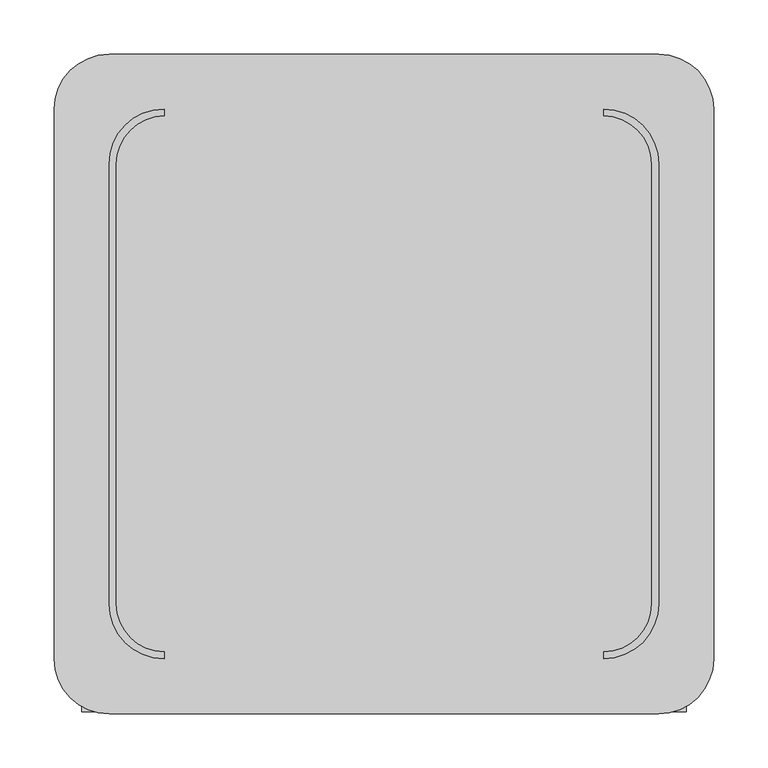
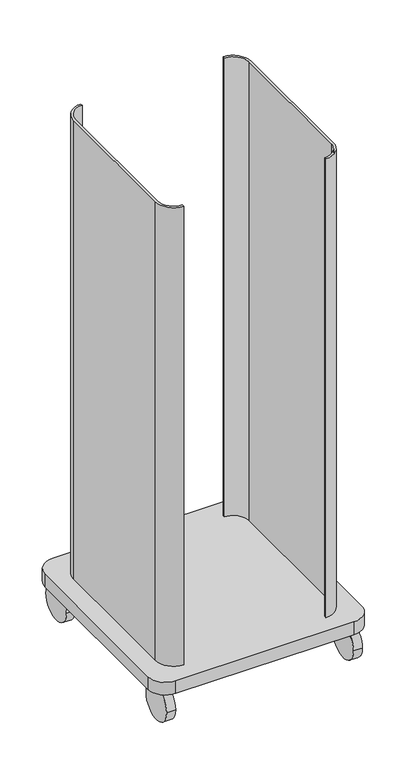
"""IFC4 building model written with IfcOpenShell, lengths in millimetres: proxy geometry."""

import ifcopenshell
import ifcopenshell.guid

model = None  # the IFC model being written
_history = None  # IfcOwnerHistory: only IFC2X3 demands one
_inside = {}  # id of a spatial element -> (the spatial element, [elements in it])
_under = {}  # id of a project, library or spatial element -> (it, [spatial elements below it])
_declared = {}  # id of a project -> (the project, [libraries it declares])
_typed = {}  # id of a type object -> (the type object, [elements of that type])
_made_of = {}  # id of a material, layer set ... -> (it, [elements and type objects made of it])


def new_model(schema):
    """Start an empty IFC model of exactly this schema.

    Asked for "IFC4X3", IfcOpenShell would pick the latest addendum, in which some entities
    have other attributes; the version numbers below select the first issue.
    IFC2X3 requires an IfcOwnerHistory on every rooted entity: one is made here for all.
    """
    global model, _history
    if schema == "IFC4X3":
        model = ifcopenshell.file(schema_version=(4, 3, 0, 0))
    else:
        model = ifcopenshell.file(schema=schema)
    _inside.clear()
    _under.clear()
    _declared.clear()
    _typed.clear()
    _made_of.clear()
    _history = None
    if model.schema == "IFC2X3":
        org = make("IfcOrganization", Name="unknown")
        user = make(
            "IfcPersonAndOrganization",
            ThePerson=make("IfcPerson", FamilyName="unknown"),
            TheOrganization=org,
        )
        app = make(
            "IfcApplication",
            ApplicationDeveloper=org,
            Version="unknown",
            ApplicationFullName="unknown",
            ApplicationIdentifier="unknown",
        )
        _history = make(
            "IfcOwnerHistory",
            OwningUser=user,
            OwningApplication=app,
            ChangeAction="ADDED",
            CreationDate=0,
        )
    return model


def make(cls, **values):
    """One entity of the class cls with the attributes given. An attribute that is None is left unset."""
    return model.create_entity(
        cls, **{name: value for name, value in values.items() if value is not None}
    )


def rooted(cls, **values):
    """An entity with a GlobalId (a new one), such as an element, a storey or a relation."""
    return make(cls, GlobalId=ifcopenshell.guid.new(), OwnerHistory=_history, **values)


def si_unit(unit_type, name, prefix=None):
    """IfcSIUnit, for example si_unit("LENGTHUNIT", "METRE", prefix="MILLI")."""
    return make("IfcSIUnit", UnitType=unit_type, Prefix=prefix, Name=name)


def assignment(units):
    """IfcUnitAssignment: the units of a project."""
    return None if units is None else make("IfcUnitAssignment", Units=units)


def point(xyz):
    """IfcCartesianPoint."""
    return None if xyz is None else make("IfcCartesianPoint", Coordinates=xyz)


def direction(xyz):
    """IfcDirection."""
    return None if xyz is None else make("IfcDirection", DirectionRatios=xyz)


def frame(location, z_axis=None, x_axis=None):
    """IfcAxis2Placement3D, a coordinate frame: its origin and axes. An axis left out is left unset."""
    return make(
        "IfcAxis2Placement3D",
        Location=point(location),
        Axis=direction(z_axis),
        RefDirection=direction(x_axis),
    )


def frame_2d(location, x_axis=None):
    """IfcAxis2Placement2D, a coordinate frame in the plane: its origin and x axis."""
    return make(
        "IfcAxis2Placement2D", Location=point(location), RefDirection=direction(x_axis)
    )


def origin():
    """The frame at (0, 0, 0) with its axes left unset."""
    return frame((0.0, 0.0, 0.0))


def place(relative_to, where):
    """IfcLocalPlacement: puts the frame where relative to a parent placement (None: the world)."""
    return make(
        "IfcLocalPlacement", PlacementRelTo=relative_to, RelativePlacement=where
    )


def context(
    kind, dimensions, precision=None, world=None, true_north=None, identifier=None
):
    """IfcGeometricRepresentationContext, for example the 3D "Model" context."""
    return make(
        "IfcGeometricRepresentationContext",
        ContextIdentifier=identifier,
        ContextType=kind,
        CoordinateSpaceDimension=dimensions,
        Precision=precision,
        WorldCoordinateSystem=world,
        TrueNorth=true_north,
    )


def project(units=None, contexts=None):
    """IfcProject with its units and contexts."""
    return rooted(
        "IfcProject",
        Name="project",
        RepresentationContexts=contexts,
        UnitsInContext=assignment(units),
    )


def spatial(cls, under=None, at=None, **own):
    """A site, building, storey or space (cls), placed at a placement, below another one or the project."""
    s = rooted(cls, ObjectPlacement=at, **own)
    if under is not None:
        _under.setdefault(under.id(), (under, []))[1].append(s)
    return s


def polyline(points):
    """IfcPolyline through the points."""
    return make("IfcPolyline", Points=[point(p) for p in points])


def circle_curve(where, radius):
    """IfcCircle in the frame where."""
    return make("IfcCircle", Position=where, Radius=radius)


def trimmed(basis, trim1, trim2, sense, master):
    """IfcTrimmedCurve: the piece of a basis curve between two trims."""
    return make(
        "IfcTrimmedCurve",
        BasisCurve=basis,
        Trim1=trim1,
        Trim2=trim2,
        SenseAgreement=sense,
        MasterRepresentation=master,
    )


def segment(curve, same_sense, transition):
    """IfcCompositeCurveSegment."""
    return make(
        "IfcCompositeCurveSegment",
        Transition=transition,
        SameSense=same_sense,
        ParentCurve=curve,
    )


def composite_curve(segments, self_intersect=None):
    """IfcCompositeCurve: segments joined end to end."""
    return make("IfcCompositeCurve", Segments=segments, SelfIntersect=self_intersect)


def outline(outer, holes=None, kind="AREA"):
    """IfcArbitraryClosedProfileDef: a profile drawn as a closed curve; with holes, ...WithVoids."""
    if holes is None:
        return make("IfcArbitraryClosedProfileDef", ProfileType=kind, OuterCurve=outer)
    return make(
        "IfcArbitraryProfileDefWithVoids",
        ProfileType=kind,
        OuterCurve=outer,
        InnerCurves=holes,
    )


def extrude(swept, where, along, depth):
    """IfcExtrudedAreaSolid: the profile swept, set in the frame where, extruded along a direction by depth."""
    return make(
        "IfcExtrudedAreaSolid",
        SweptArea=swept,
        Position=where,
        ExtrudedDirection=direction(along),
        Depth=depth,
    )


def shape(context_of_items, identifier, shape_type, items):
    """IfcShapeRepresentation: the items that make up one representation, for example the "Body"."""
    return make(
        "IfcShapeRepresentation",
        ContextOfItems=context_of_items,
        RepresentationIdentifier=identifier,
        RepresentationType=shape_type,
        Items=items,
    )


def source(mapping_origin, context_of_items, identifier, shape_type, items):
    """IfcRepresentationMap: a shape defined once, which mapped items show again and again."""
    return make(
        "IfcRepresentationMap",
        MappingOrigin=mapping_origin,
        MappedRepresentation=shape(context_of_items, identifier, shape_type, items),
    )


def transform(
    local_origin,
    x_axis=None,
    y_axis=None,
    z_axis=None,
    scale=None,
    scale2=None,
    scale3=None,
    uniform=True,
):
    """IfcCartesianTransformationOperator3D, or its non-uniform kind. x_axis, y_axis, z_axis: its Axis1, 2, 3."""
    if uniform:
        return make(
            "IfcCartesianTransformationOperator3D",
            Axis1=direction(x_axis),
            Axis2=direction(y_axis),
            LocalOrigin=point(local_origin),
            Scale=scale,
            Axis3=direction(z_axis),
        )
    return make(
        "IfcCartesianTransformationOperator3DnonUniform",
        Axis1=direction(x_axis),
        Axis2=direction(y_axis),
        LocalOrigin=point(local_origin),
        Scale=scale,
        Axis3=direction(z_axis),
        Scale2=scale2,
        Scale3=scale3,
    )


def mapped(mapping_source, mapping_target):
    """IfcMappedItem: shows the shape of a source again, moved by a transform."""
    return make(
        "IfcMappedItem", MappingSource=mapping_source, MappingTarget=mapping_target
    )


def made_of(thing, what):
    """Note that an element or type object is made of a material, layer set ...; save() writes the relation."""
    if what is not None:
        _made_of.setdefault(what.id(), (what, []))[1].append(thing)
    return thing


def element(
    cls,
    number,
    at=None,
    inside=None,
    cuts=None,
    type_object=None,
    material=None,
    context=None,
    identifier="Body",
    shape_type=None,
    held_by="IfcProductDefinitionShape",
    body=None,
    shapes=None,
    **own,
):
    """One element of the class cls, such as IfcWall. Its Tag is "e" and its number.

    at: its placement. inside: the storey or other place that contains it. cuts: it is an
    opening in that element (IfcRelVoidsElement). A single representation is given by context,
    identifier, shape_type and body (its items); several are given by shapes. held_by: the class
    of the entity that holds the representations. save() writes the other relations.
    """
    e = rooted(cls, Tag="e%d" % number, ObjectPlacement=at, **own)
    if body is not None:
        shapes = [shape(context, identifier, shape_type, body)]
    if shapes is not None:
        e.Representation = make(held_by, Representations=shapes)
    if inside is not None:
        _inside.setdefault(inside.id(), (inside, []))[1].append(e)
    if cuts is not None:
        rooted(
            "IfcRelVoidsElement", RelatingBuildingElement=cuts, RelatedOpeningElement=e
        )
    if type_object is not None:
        _typed.setdefault(type_object.id(), (type_object, []))[1].append(e)
    return made_of(e, material)


def aggregate(whole, parts):
    """IfcRelAggregates: a whole, such as a stair, and the parts it consists of."""
    return rooted("IfcRelAggregates", RelatingObject=whole, RelatedObjects=parts)


def save(model, path):
    """Write the relations noted so far, then the file.

    IfcRelAggregates (storeys below a building ...), IfcRelContainedInSpatialStructure (elements
    in a storey), IfcRelDefinesByType, IfcRelAssociatesMaterial and IfcRelDeclares: one each for
    every whole, place, type object, material and project.
    """
    for whole, parts in _under.values():
        aggregate(whole, parts)
    for where, things in _inside.values():
        rooted(
            "IfcRelContainedInSpatialStructure",
            RelatedElements=things,
            RelatingStructure=where,
        )
    for kind, things in _typed.values():
        rooted("IfcRelDefinesByType", RelatedObjects=things, RelatingType=kind)
    for what, things in _made_of.values():
        rooted("IfcRelAssociatesMaterial", RelatedObjects=things, RelatingMaterial=what)
    for by, libraries in _declared.values():
        rooted("IfcRelDeclares", RelatingContext=by, RelatedDefinitions=libraries)
    model.write(path)


def generic_models_953fa5bb(model_context):
    return source(origin(), model_context, "Body", "SweptSolid", [
        extrude(outline(composite_curve([segment(polyline([(-254.0, -203.2), (-254.0, 203.2)]), True, "CONTINUOUS"), segment(trimmed(circle_curve(frame_2d((-203.2, 203.2)), 50.8), [point((-254.0, 203.2))], [point((-203.2, 254.0))], False, "CARTESIAN"), True, "CONTINUOUS"), segment(polyline([(-203.2, 254.0), (-203.2, 247.65)]), True, "CONTINUOUS"), segment(trimmed(circle_curve(frame_2d((-203.2, 203.2)), 44.45), [point((-203.2, 247.65))], [point((-247.65, 203.2))], True, "CARTESIAN"), True, "CONTINUOUS"), segment(polyline([(-247.65, 203.2), (-247.65, -203.2)]), True, "CONTINUOUS"), segment(trimmed(circle_curve(frame_2d((-203.2, -203.2)), 44.45), [point((-247.65, -203.2))], [point((-203.2, -247.65))], True, "CARTESIAN"), True, "CONTINUOUS"), segment(polyline([(-203.2, -247.65), (-203.2, -254.0)]), True, "CONTINUOUS"), segment(trimmed(circle_curve(frame_2d((-203.2, -203.2)), 50.8), [point((-203.2, -254.0))], [point((-254.0, -203.2))], False, "CARTESIAN"), True, "CONTINUOUS")], self_intersect=False)), frame((0.0, 0.0, 139.7), z_axis=(0.0, 0.0, 1.0), x_axis=(1.0, 0.0, 0.0)), (0.0, 0.0, 1.0), 1384.3),
        extrude(outline(composite_curve([segment(polyline([(254.0, 203.2), (254.0, -203.2)]), True, "CONTINUOUS"), segment(trimmed(circle_curve(frame_2d((203.2, -203.2)), 50.8), [point((254.0, -203.2))], [point((203.2, -254.0))], False, "CARTESIAN"), True, "CONTINUOUS"), segment(polyline([(203.2, -254.0), (203.2, -247.65)]), True, "CONTINUOUS"), segment(trimmed(circle_curve(frame_2d((203.2, -203.2)), 44.45), [point((203.2, -247.65))], [point((247.65, -203.2))], True, "CARTESIAN"), True, "CONTINUOUS"), segment(polyline([(247.65, -203.2), (247.65, 203.2)]), True, "CONTINUOUS"), segment(trimmed(circle_curve(frame_2d((203.2, 203.2)), 44.45), [point((247.65, 203.2))], [point((203.2, 247.65))], True, "CARTESIAN"), True, "CONTINUOUS"), segment(polyline([(203.2, 247.65), (203.2, 254.0)]), True, "CONTINUOUS"), segment(trimmed(circle_curve(frame_2d((203.2, 203.2)), 50.8), [point((203.2, 254.0))], [point((254.0, 203.2))], False, "CARTESIAN"), True, "CONTINUOUS")], self_intersect=False)), frame((0.0, 0.0, 139.7), z_axis=(0.0, 0.0, 1.0), x_axis=(1.0, 0.0, 0.0)), (0.0, 0.0, 1.0), 1384.3),
        extrude(outline(composite_curve([segment(trimmed(circle_curve(frame_2d((-251.811041, 50.6609625)), 50.8), [point((-201.011041, 50.6609625))], [point((-302.611041, 50.6609625))], False, "CARTESIAN"), True, "CONTINUOUS"), segment(trimmed(circle_curve(frame_2d((-251.811041, 50.6609625)), 50.8), [point((-302.611041, 50.6609625))], [point((-201.011041, 50.6609625))], False, "CARTESIAN"), True, "CONTINUOUS")], self_intersect=False)), frame((-279.4, 0.0, 0.0), z_axis=(1.0, 0.0, 0.0), x_axis=(0.0, 1.0, 0.0)), (0.0, 0.0, 1.0), 25.4),
        extrude(outline(composite_curve([segment(trimmed(circle_curve(frame_2d((243.488959, 50.6609625)), 50.8), [point((294.288959, 50.6609625))], [point((192.688959, 50.6609625))], False, "CARTESIAN"), True, "CONTINUOUS"), segment(trimmed(circle_curve(frame_2d((243.488959, 50.6609625)), 50.8), [point((192.688959, 50.6609625))], [point((294.288959, 50.6609625))], False, "CARTESIAN"), True, "CONTINUOUS")], self_intersect=False)), frame((-279.4, 0.0, 0.0), z_axis=(1.0, 0.0, 0.0), x_axis=(0.0, 1.0, 0.0)), (0.0, 0.0, 1.0), 25.4),
        extrude(outline(composite_curve([segment(trimmed(circle_curve(frame_2d((-251.811041, 50.6609625)), 50.8), [point((-302.611041, 50.6609625))], [point((-201.011041, 50.6609625))], False, "CARTESIAN"), True, "CONTINUOUS"), segment(trimmed(circle_curve(frame_2d((-251.811041, 50.6609625)), 50.8), [point((-201.011041, 50.6609625))], [point((-302.611041, 50.6609625))], False, "CARTESIAN"), True, "CONTINUOUS")], self_intersect=False)), frame((254.0, 0.0, 0.0), z_axis=(1.0, 0.0, 0.0), x_axis=(0.0, 1.0, 0.0)), (0.0, 0.0, 1.0), 25.4),
        extrude(outline(composite_curve([segment(trimmed(circle_curve(frame_2d((243.488959, 50.6609625)), 50.8), [point((192.688959, 50.6609625))], [point((294.288959, 50.6609625))], False, "CARTESIAN"), True, "CONTINUOUS"), segment(trimmed(circle_curve(frame_2d((243.488959, 50.6609625)), 50.8), [point((294.288959, 50.6609625))], [point((192.688959, 50.6609625))], False, "CARTESIAN"), True, "CONTINUOUS")], self_intersect=False)), frame((254.0, 0.0, 0.0), z_axis=(1.0, 0.0, 0.0), x_axis=(0.0, 1.0, 0.0)), (0.0, 0.0, 1.0), 25.4),
        extrude(outline(composite_curve([segment(trimmed(circle_curve(frame_2d((254.0, 254.0)), 50.8), [point((254.0, 304.8))], [point((304.8, 254.0))], False, "CARTESIAN"), True, "CONTINUOUS"), segment(polyline([(304.8, 254.0), (304.8, -254.0)]), True, "CONTINUOUS"), segment(trimmed(circle_curve(frame_2d((254.0, -254.0)), 50.8), [point((304.8, -254.0))], [point((254.0, -304.8))], False, "CARTESIAN"), True, "CONTINUOUS"), segment(polyline([(254.0, -304.8), (-254.0, -304.8)]), True, "CONTINUOUS"), segment(trimmed(circle_curve(frame_2d((-254.0, -254.0)), 50.8), [point((-254.0, -304.8))], [point((-304.8, -254.0))], False, "CARTESIAN"), True, "CONTINUOUS"), segment(polyline([(-304.8, -254.0), (-304.8, 254.0)]), True, "CONTINUOUS"), segment(trimmed(circle_curve(frame_2d((-254.0, 254.0)), 50.8), [point((-304.8, 254.0))], [point((-254.0, 304.8))], False, "CARTESIAN"), True, "CONTINUOUS"), segment(polyline([(-254.0, 304.8), (254.0, 304.8)]), True, "CONTINUOUS")], self_intersect=False)), frame((0.0, 0.0, 101.6), z_axis=(0.0, 0.0, 1.0), x_axis=(1.0, 0.0, 0.0)), (0.0, 0.0, 1.0), 38.1),
    ])


if __name__ == "__main__":
    model = new_model("IFC4")
    model_context = context("Model", 3, world=origin())
    ifc_project = project(units=[si_unit("LENGTHUNIT", "METRE", prefix="MILLI")], contexts=[model_context])
    site = spatial("IfcSite", under=ifc_project)
    building = spatial("IfcBuilding", under=site)
    placement = place(None, origin())
    generic_models_shape = generic_models_953fa5bb(model_context)
    element("IfcBuildingElementProxy", 1, Name="Generic Models", at=placement, inside=building, context=model_context, shape_type="MappedRepresentation", body=[
        mapped(generic_models_shape, transform((0.0, 0.0, 0.0), x_axis=(1.0, 0.0, 0.0), y_axis=(0.0, 1.0, 0.0), z_axis=(0.0, 0.0, 1.0))),
    ])
    save(model, "model.ifc")
